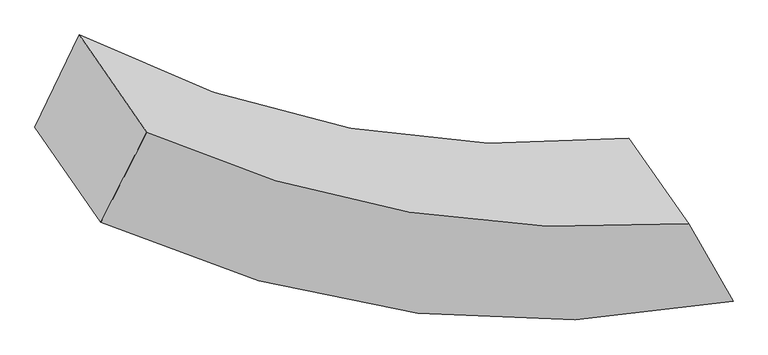
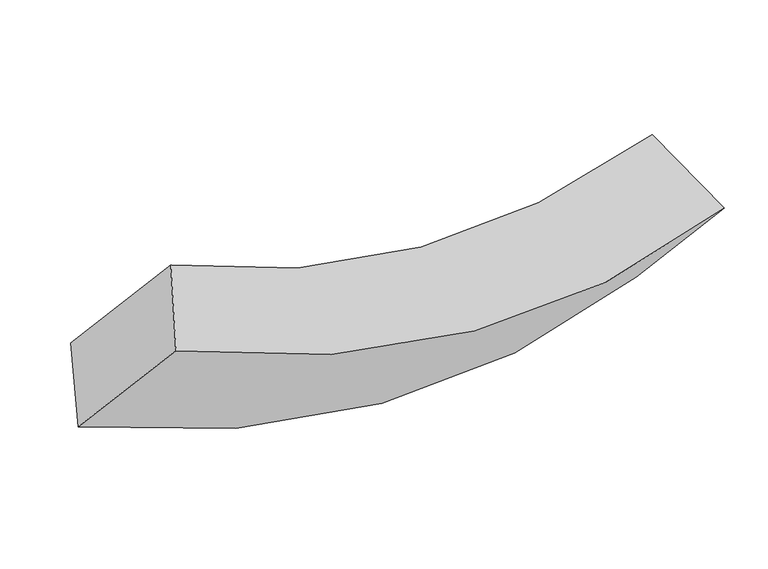
"""IFC4 building model written with IfcOpenShell, lengths in millimetres: proxy geometry."""

from ifc_helpers import new_model, si_unit, frame, origin, place, context, project, spatial, source, transform, mapped, element, save
from ifc_brep_helpers import plane_surface, spline_curve, spline_surface, advanced_brep


def generic_models_9ba0a584(model_context):
    return source(origin(), model_context, "Body", "AdvancedBrep", [
        advanced_brep(
        [(11403.7889842, -3289.598792, 1333.5471069), (11739.2667126, -3772.5444817, 2014.8826737), (8176.707523, -3326.3839594, 1940.9308166), (7804.872929, -2791.0997981, 1185.7565904), (11152.6083188, -2852.1812158, 1699.6080739), (8054.4899882, -2270.4516989, 1402.2229857), (11488.0860471, -3335.1269055, 2380.9436407), (8434.6980803, -2817.7901473, 2174.4032948)],
        [
            (0, 1),
            (1, 2, spline_curve(3, [(11739.2667126, -3772.5444817, 2014.8826737), (11143.9140111, -3889.122973042, 1865.609388699), (10551.589854862, -3911.237727862, 1784.336374823), (9363.976682777, -3765.432121513, 1757.587687005), (8768.781109043, -3594.597192653, 1814.210081953), (8176.707523, -3326.3839594, 1940.9308166)], [4, 2, 4], [0.0, 6.0139741507681155, 12.120020559452636])),
            (2, 3),
            (3, 0, spline_curve(3, [(7804.872929, -2791.0997981, 1185.7565904), (8403.444231153, -3068.666987649, 1072.232335656), (9004.939928136, -3248.571422557, 1028.405121102), (10204.666141266, -3411.81467253, 1079.754684059), (10802.809129572, -3398.076568813, 1172.845404275), (11403.7889842, -3289.598792, 1333.5471069)], [4, 2, 4], [0.0, 6.10604640868452, 12.120020559452636])),
            (4, 0),
            (3, 5),
            (5, 4, spline_curve(3, [(8054.4899882, -2270.4516989, 1402.2229857), (8552.684627491, -2524.543337418, 1332.401713894), (9062.003637903, -2699.840822407, 1322.91632938), (10095.042704689, -2891.392323957, 1423.850566884), (10618.429804436, -2910.004677968, 1532.464314154), (11152.6083188, -2852.1812158, 1699.6080739)], [4, 2, 4], [0.0, 5.737478821299591, 11.388442966085544])),
            (6, 4),
            (5, 7),
            (7, 6, spline_curve(3, [(8434.6980803, -2817.7901473, 2174.4032948), (8910.367137446, -3033.001879713, 2063.704023855), (9404.724537567, -3183.559189436, 2026.249056516), (10423.079875228, -3354.06964521, 2097.288066861), (10946.518464241, -3375.957921566, 2203.589816156), (11488.0860471, -3335.1269055, 2380.9436407)], [4, 2, 4], [0.0, 5.286191212694667, 10.49267265442552])),
            (1, 6),
            (7, 2),
        ],
        [
            spline_surface(3, 3, [[(11403.7889842, -3289.598792, 1333.5471069), (10802.809129525, -3398.076568725, 1172.845404242), (10204.666141338, -3411.814672471, 1079.754684096), (9004.939928063, -3248.571422616, 1028.405121065), (8403.444231227, -3068.666987587, 1072.232335699), (7804.872929, -2791.0997981, 1185.7565904)], [(11515.614893644, -3450.580688568, 1560.658962501), (10916.510756679, -3561.75870351, 1403.76673237), (10320.307379177, -3578.289024269, 1314.61524763), (9124.618846303, -3420.858322254, 1271.465976397), (8525.223190523, -3243.977055952, 1319.558251102), (7928.817793671, -2969.527851884, 1437.481332437)], [(11627.440803156, -3611.562585132, 1787.770818099), (11030.212383902, -3725.440838293, 1634.688060494), (10435.948617018, -3744.763376056, 1549.475811199), (9244.297764543, -3593.145221883, 1514.526831763), (8647.002149805, -3419.287124266, 1566.884166594), (8052.762658329, -3147.955905616, 1689.206074563)], [(11739.2667126, -3772.5444817, 2014.8826737), (11143.914011056, -3889.122973079, 1865.609388622), (10551.589854857, -3911.237727854, 1784.336374734), (9363.976682782, -3765.432121521, 1757.587687095), (8768.781109102, -3594.597192631, 1814.210081998), (8176.707523, -3326.3839594, 1940.9308166)]], [4, 4], [4, 2, 4], [0.0, 3.10761696714923], [0.0, 6.0139741507681155, 12.120020559452636]),
            spline_surface(3, 3, [[(11152.6083188, -2852.1812158, 1699.6080739), (10618.429804411, -2910.00467798, 1532.464314174), (10095.042704612, -2891.392323947, 1423.850566924), (9062.00363798, -2699.840822417, 1322.91632934), (8552.684627572, -2524.543337468, 1332.401713835), (8054.4899882, -2270.4516989, 1402.2229857)], [(11236.335207288, -2997.987074525, 1577.587751571), (10679.889579471, -3072.695308219, 1412.591344201), (10131.583850203, -3064.866440123, 1309.151939316), (9042.982401357, -2882.751022485, 1224.745926584), (8502.937828787, -2705.917887483, 1245.678587789), (7971.284301797, -2444.001065275, 1330.067520599)], [(11320.062095712, -3143.792933275, 1455.567429229), (10741.349354466, -3235.385938485, 1292.718374215), (10168.124995747, -3238.340556295, 1194.453311703), (9023.961164687, -3065.661222548, 1126.575523821), (8453.191030012, -2887.292437572, 1158.955461745), (7888.078615403, -2617.550431725, 1257.912055501)], [(11403.7889842, -3289.598792, 1333.5471069), (10802.809129525, -3398.076568725, 1172.845404242), (10204.666141338, -3411.814672471, 1079.754684096), (9004.939928063, -3248.571422616, 1028.405121065), (8403.444231227, -3068.666987587, 1072.232335699), (7804.872929, -2791.0997981, 1185.7565904)]], [4, 4], [4, 2, 4], [0.0, 2.0445121011291008], [0.0, 5.650964144785952, 11.388442966085544]),
            spline_surface(3, 3, [[(11488.0860471, -3335.1269055, 2380.9436407), (10946.51846416, -3375.957921641, 2203.589816133), (10423.079875286, -3354.069645273, 2097.288066886), (9404.724537507, -3183.559189372, 2026.249056491), (8910.367137456, -3033.001879707, 2063.704023788), (8434.6980803, -2817.7901473, 2174.4032948)], [(11376.260137656, -3174.145008932, 2153.831785099), (10837.155577567, -3220.640173753, 1979.881315479), (10313.734151714, -3199.843871479, 1872.808900216), (9290.48423765, -3022.319733702, 1791.804814091), (8791.139634159, -2863.515698984, 1819.936587156), (8307.962049597, -2635.343997857, 1917.009858452)], [(11264.434228244, -3013.163112368, 1926.719929501), (10727.792691005, -3065.322425868, 1756.172814828), (10204.388428185, -3045.618097741, 1648.329733594), (9176.243937837, -2861.080278087, 1557.360571739), (8671.91213087, -2694.029518191, 1576.169150467), (8181.226018903, -2452.897848343, 1659.616422048)], [(11152.6083188, -2852.1812158, 1699.6080739), (10618.429804411, -2910.00467798, 1532.464314174), (10095.042704612, -2891.392323947, 1423.850566924), (9062.00363798, -2699.840822417, 1322.91632934), (8552.684627572, -2524.543337468, 1332.401713835), (8054.4899882, -2270.4516989, 1402.2229857)]], [4, 4], [4, 2, 4], [0.0, 2.9542399285988075], [0.0, 5.206481441730854, 10.49267265442552]),
            spline_surface(3, 3, [[(11739.2667126, -3772.5444817, 2014.8826737), (11143.914011056, -3889.122973079, 1865.609388622), (10551.589854857, -3911.237727854, 1784.336374734), (9363.976682782, -3765.432121521, 1757.587687095), (8768.781109102, -3594.597192631, 1814.210081998), (8176.707523, -3326.3839594, 1940.9308166)], [(11655.539824112, -3626.738622975, 2136.902996029), (11078.115495436, -3718.067955942, 1978.269531121), (10508.753195, -3725.515033674, 1888.653605476), (9377.559301023, -3571.474477485, 1847.141476919), (8815.976451888, -3407.398754974, 1897.374729273), (8262.704375435, -3156.852688684, 2018.754976011)], [(11571.812935588, -3480.932764225, 2258.923318371), (11012.31697978, -3547.012938778, 2090.929673633), (10465.916535144, -3539.792339453, 1992.970836144), (9391.141919266, -3377.516833408, 1936.695266667), (8863.17179467, -3220.200317364, 1980.539376513), (8348.701227865, -2987.321418016, 2096.579135389)], [(11488.0860471, -3335.1269055, 2380.9436407), (10946.51846416, -3375.957921641, 2203.589816133), (10423.079875286, -3354.069645273, 2097.288066886), (9404.724537507, -3183.559189372, 2026.249056491), (8910.367137456, -3033.001879707, 2063.704023788), (8434.6980803, -2817.7901473, 2174.4032948)]], [4, 4], [4, 2, 4], [0.0, 2.102678895228666], [0.0, 5.563656034422299, 11.212490082669959]),
            plane_surface(frame((8117.6921301, -2801.4314009, 1675.8284219), z_axis=(-0.8281170781783308, 0.17571674956192945, 0.5323022907641621), x_axis=(-0.40480409169533516, -0.8443352450606634, -0.35104364585484854))),
            plane_surface(frame((11445.9375157, -3312.3628488, 1857.2453738), z_axis=(0.8493763514883681, 0.5258224446711237, -0.04550351868143118), x_axis=(-0.372753031478643, 0.5366063218918333, -0.757039518670723))),
        ],
        [
            (0, [[1, 2, 3, 4]]),
            (1, [[5, -4, 6, 7]]),
            (2, [[8, -7, 9, 10]]),
            (3, [[11, -10, 12, -2]]),
            (4, [[-6, -3, -12, -9]]),
            (5, [[-1, -5, -8, -11]]),
        ],
    ),
    ])


if __name__ == "__main__":
    model = new_model("IFC4")
    model_context = context("Model", 3, world=origin())
    ifc_project = project(units=[si_unit("LENGTHUNIT", "METRE", prefix="MILLI")], contexts=[model_context])
    site = spatial("IfcSite", under=ifc_project)
    building = spatial("IfcBuilding", under=site)
    placement = place(None, origin())
    generic_models_shape = generic_models_9ba0a584(model_context)
    element("IfcBuildingElementProxy", 1, Name="Generic Models", at=placement, inside=building, context=model_context, shape_type="MappedRepresentation", body=[
        mapped(generic_models_shape, transform((0.0, 0.0, 0.0), x_axis=(1.0, 0.0, 0.0), y_axis=(0.0, 1.0, 0.0), z_axis=(0.0, 0.0, 1.0))),
    ])
    save(model, "model.ifc")
